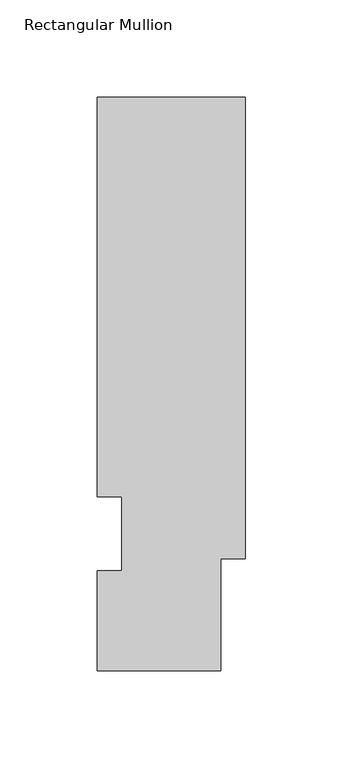
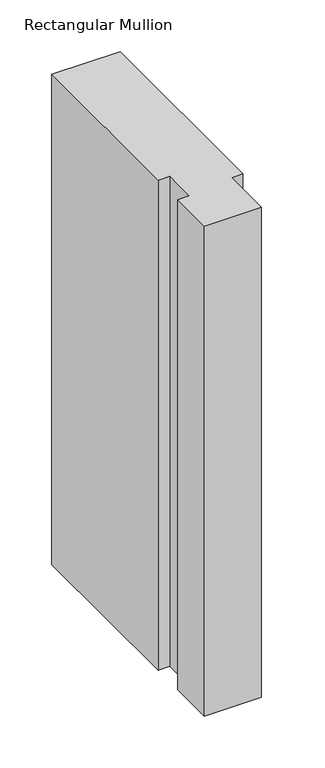
"""IFC4 building model written with IfcOpenShell, lengths in millimetres: member geometry, Rectangular Mullion."""

from ifc_helpers import new_model, si_unit, frame, origin, place, context, project, spatial, polyline, outline, extrude, source, transform, mapped, element, save


def rectangular_mullion_64d3b7fa(model_context):
    return source(origin(), model_context, "Body", "SweptSolid", [
        extrude(outline(polyline([(-76.2000001, 295.1821313), (0.0, 295.1821313), (0.0, 57.8445312), (-12.7000001, 57.8445312), (-12.7000001, 0.2119312), (-76.2000001, 0.2119313), (-76.2000001, 51.4945313), (-63.5000001, 51.4945313), (-63.5000001, 89.5945312), (-76.2000001, 89.5945313), (-76.2000001, 295.1821313)])), frame((0.0, 0.0, -577.85), z_axis=(0.0, 0.0, 1.0), x_axis=(1.0, 0.0, 0.0)), (0.0, 0.0, 1.0), 577.85),
    ])


if __name__ == "__main__":
    model = new_model("IFC4")
    model_context = context("Model", 3, world=origin())
    ifc_project = project(units=[si_unit("LENGTHUNIT", "METRE", prefix="MILLI")], contexts=[model_context])
    site = spatial("IfcSite", under=ifc_project)
    building = spatial("IfcBuilding", under=site)
    placement = place(None, origin())
    rectangular_mullion_shape = rectangular_mullion_64d3b7fa(model_context)
    element("IfcMember", 1, ObjectType="Rectangular Mullion", at=placement, inside=building, context=model_context, shape_type="MappedRepresentation", body=[
        mapped(rectangular_mullion_shape, transform((0.0, 0.0, 0.0), x_axis=(1.0, 0.0, 0.0), y_axis=(0.0, 1.0, 0.0), z_axis=(0.0, 0.0, 1.0))),
    ])
    save(model, "model.ifc")
